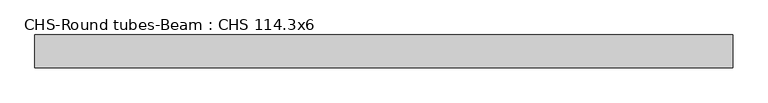
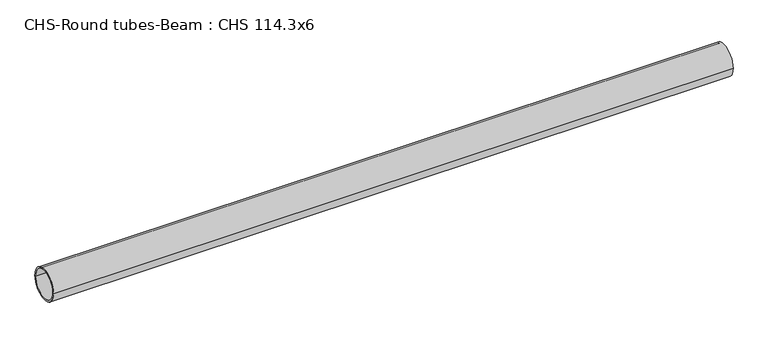
"""IFC4 building model written with IfcOpenShell, lengths in millimetres: beam geometry, CHS-Round tubes-Beam : CHS 114.3x6."""

from ifc_helpers import new_model, si_unit, point, frame, origin, origin_2d, place, context, project, spatial, circle_curve, trimmed, segment, composite_curve, outline, extrude, source, transform, mapped, element, save


def chs_round_tubes_beam_chs_114_3x6_0d9debaa(model_context):
    return source(origin(), model_context, "Body", "SweptSolid", [
        extrude(outline(composite_curve([segment(trimmed(circle_curve(origin_2d(), 57.15), [point((57.15, 0.0))], [point((-57.15, 0.0))], False, "CARTESIAN"), True, "CONTINUOUS"), segment(trimmed(circle_curve(origin_2d(), 57.15), [point((-57.15, 0.0))], [point((57.15, 0.0))], False, "CARTESIAN"), True, "CONTINUOUS")], self_intersect=False), holes=[composite_curve([segment(trimmed(circle_curve(origin_2d(), 51.15), [point((51.15, 0.0))], [point((-51.15, 0.0))], True, "CARTESIAN"), True, "CONTINUOUS"), segment(trimmed(circle_curve(origin_2d(), 51.15), [point((-51.15, 0.0))], [point((51.15, 0.0))], True, "CARTESIAN"), True, "CONTINUOUS")], self_intersect=False)]), frame((-1159.2546486, 0.0, 0.0), z_axis=(1.0, 0.0, 0.0), x_axis=(0.0, 1.0, 0.0)), (0.0, 0.0, 1.0), 2425.6114768),
    ])


if __name__ == "__main__":
    model = new_model("IFC4")
    model_context = context("Model", 3, world=origin())
    ifc_project = project(units=[si_unit("LENGTHUNIT", "METRE", prefix="MILLI")], contexts=[model_context])
    site = spatial("IfcSite", under=ifc_project)
    building = spatial("IfcBuilding", under=site)
    placement = place(None, origin())
    chs_round_tubes_beam_chs_114_3x6_shape = chs_round_tubes_beam_chs_114_3x6_0d9debaa(model_context)
    element("IfcBeam", 1, ObjectType="CHS-Round tubes-Beam : CHS 114.3x6", at=placement, inside=building, context=model_context, shape_type="MappedRepresentation", body=[
        mapped(chs_round_tubes_beam_chs_114_3x6_shape, transform((0.0, 0.0, 0.0), x_axis=(1.0, 0.0, 0.0), y_axis=(0.0, 1.0, 0.0), z_axis=(0.0, 0.0, 1.0))),
    ])
    save(model, "model.ifc")
